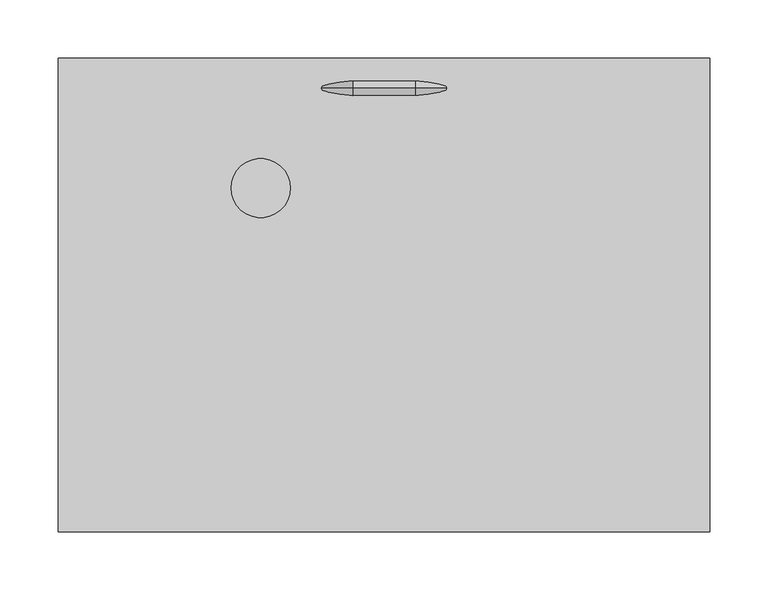
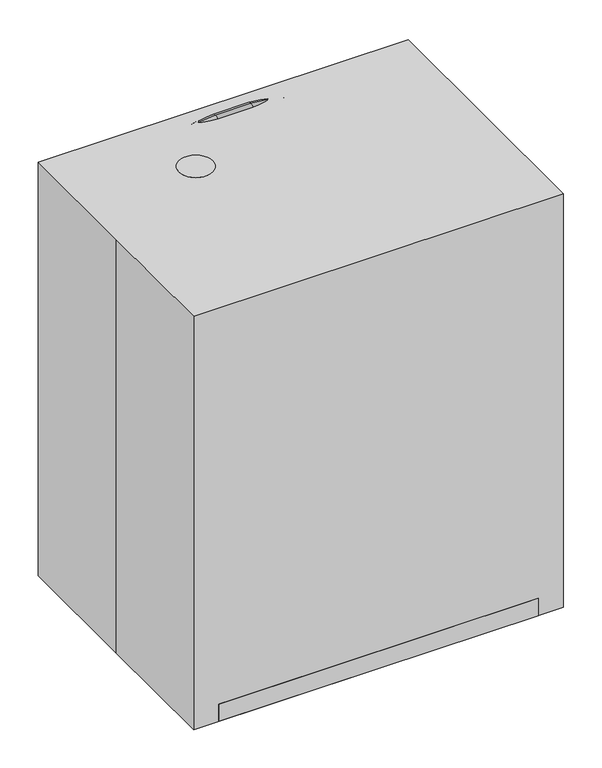
"""IFC4 building model written with IfcOpenShell, lengths in millimetres: proxy geometry."""

from ifc_helpers import new_model, si_unit, point, frame, frame_2d, origin, origin_with_axes, place, context, project, spatial, polyline, circle_curve, ellipse_curve, trimmed, segment, composite_curve, outline, extrude, source, transform, mapped, element, save
from ifc_brep_helpers import plane_surface, cylinder_surface, revolved_surface, advanced_brep


def specialty_equipment_b3b583d2(model_context):
    return source(origin(), model_context, "Body", "SolidModel", [
        advanced_brep(
        [(-145.0328479, 177.5141785, 20.8475767), (-162.7213181, 177.5141785, 20.8475767), (-145.0328479, 177.5141785, 526.8062528), (-162.7213181, 177.5141785, 526.8062528), (-26.877083, 177.5141785, 662.6504879), (-26.877083, 177.5141785, 644.9620177), (26.877083, 177.5141785, 644.9620177), (26.877083, 177.5141785, 662.6504879), (162.7213181, 177.5141785, 526.8062528), (145.0328479, 177.5141785, 526.8062528), (145.0328479, 177.5141785, 20.8475767), (162.7213181, 177.5141785, 20.8475767)],
        [
            (0, 1, circle_curve(frame((-153.877083, 177.5141785, 20.8475767), z_axis=(0.0, 0.0, -1.0), x_axis=(-1.0, 0.0, 0.0)), 8.8442351)),
            (1, 0, circle_curve(frame((-153.877083, 177.5141785, 20.8475767), z_axis=(0.0, 0.0, -1.0), x_axis=(-1.0, 0.0, 0.0)), 8.8442351)),
            (0, 2),
            (2, 3, circle_curve(frame((-153.877083, 177.5141785, 526.8062528), z_axis=(0.0, 0.0, -1.0), x_axis=(-1.0, 0.0, 0.0)), 8.8442351)),
            (3, 1),
            (3, 2, circle_curve(frame((-153.877083, 177.5141785, 526.8062528), z_axis=(0.0, 0.0, -1.0), x_axis=(-1.0, 0.0, 0.0)), 8.8442351)),
            (4, 3, circle_curve(frame((-26.877083, 177.5141785, 526.8062528), z_axis=(0.0, -1.0, 0.0), x_axis=(-1.0, 0.0, 0.0)), 135.8442351)),
            (2, 5, circle_curve(frame((-26.877083, 177.5141785, 526.8062528), z_axis=(0.0, 1.0, 0.0), x_axis=(-1.0, 0.0, 0.0)), 118.1557649)),
            (5, 4, circle_curve(frame((-26.877083, 177.5141785, 653.8062528), z_axis=(-1.0, 0.0, 0.0), x_axis=(0.0, 0.0, 1.0)), 8.8442351)),
            (4, 5, circle_curve(frame((-26.877083, 177.5141785, 653.8062528), z_axis=(-1.0, 0.0, 0.0), x_axis=(0.0, 0.0, 1.0)), 8.8442351)),
            (5, 6),
            (6, 7, circle_curve(frame((26.877083, 177.5141785, 653.8062528), z_axis=(-1.0, 0.0, 0.0), x_axis=(0.0, 0.0, 1.0)), 8.8442351)),
            (7, 4),
            (7, 6, circle_curve(frame((26.877083, 177.5141785, 653.8062528), z_axis=(-1.0, 0.0, 0.0), x_axis=(0.0, 0.0, 1.0)), 8.8442351)),
            (8, 7, circle_curve(frame((26.877083, 177.5141785, 526.8062528), z_axis=(0.0, -1.0, 0.0), x_axis=(0.0, 0.0, 1.0)), 135.8442351)),
            (6, 9, circle_curve(frame((26.877083, 177.5141785, 526.8062528), z_axis=(0.0, 1.0, 0.0), x_axis=(0.0, 0.0, 1.0)), 118.1557649)),
            (9, 8, circle_curve(frame((153.877083, 177.5141785, 526.8062528), z_axis=(0.0, 0.0, 1.0), x_axis=(1.0, 0.0, 0.0)), 8.8442351)),
            (8, 9, circle_curve(frame((153.877083, 177.5141785, 526.8062528), z_axis=(0.0, 0.0, 1.0), x_axis=(1.0, 0.0, 0.0)), 8.8442351)),
            (10, 11, circle_curve(frame((153.877083, 177.5141785, 20.8475767), z_axis=(0.0, 0.0, -1.0), x_axis=(1.0, 0.0, 0.0)), 8.8442351)),
            (11, 10, circle_curve(frame((153.877083, 177.5141785, 20.8475767), z_axis=(0.0, 0.0, -1.0), x_axis=(1.0, 0.0, 0.0)), 8.8442351)),
            (9, 10),
            (11, 8),
        ],
        [
            plane_surface(frame((-153.877083, 177.5141785, 20.8475767), z_axis=(0.0, 0.0, -1.0), x_axis=(0.0, -1.0, 0.0))),
            cylinder_surface(frame((-153.877083, 177.5141785, 20.8475767), z_axis=(0.0, 0.0, -1.0), x_axis=(-1.0, 0.0, 0.0)), 8.8442351),
            revolved_surface(trimmed(ellipse_curve(frame((-153.877083, 177.5141785, 526.8062528), z_axis=(0.0, 0.0, -1.0), x_axis=(-1.0, 0.0, 0.0)), 8.8442351, 8.8442351), [point((-145.0328479, 177.5141785, 526.8062528))], [point((-162.7213181, 177.5141785, 526.8062528))], True, "CARTESIAN"), (-26.877083, 177.5141785, 526.8062528), (0.0, 1.0, 0.0)),
            revolved_surface(trimmed(ellipse_curve(frame((-153.877083, 177.5141785, 526.8062528), z_axis=(0.0, 0.0, -1.0), x_axis=(-1.0, 0.0, 0.0)), 8.8442351, 8.8442351), [point((-162.7213181, 177.5141785, 526.8062528))], [point((-145.0328479, 177.5141785, 526.8062528))], True, "CARTESIAN"), (-26.877083, 177.5141785, 526.8062528), (0.0, 1.0, 0.0)),
            cylinder_surface(frame((-26.877083, 177.5141785, 653.8062528), z_axis=(-1.0, 0.0, 0.0), x_axis=(0.0, 0.0, 1.0)), 8.8442351),
            revolved_surface(trimmed(ellipse_curve(frame((26.877083, 177.5141785, 653.8062528), z_axis=(-1.0, 0.0, 0.0), x_axis=(0.0, 0.0, 1.0)), 8.8442351, 8.8442351), [point((26.877083, 177.5141785, 644.9620177))], [point((26.877083, 177.5141785, 662.6504879))], True, "CARTESIAN"), (26.877083, 177.5141785, 526.8062528), (0.0, 1.0, 0.0)),
            revolved_surface(trimmed(ellipse_curve(frame((26.877083, 177.5141785, 653.8062528), z_axis=(-1.0, 0.0, 0.0), x_axis=(0.0, 0.0, 1.0)), 8.8442351, 8.8442351), [point((26.877083, 177.5141785, 662.6504879))], [point((26.877083, 177.5141785, 644.9620177))], True, "CARTESIAN"), (26.877083, 177.5141785, 526.8062528), (0.0, 1.0, 0.0)),
            plane_surface(frame((153.877083, 177.5141785, 20.8475767), z_axis=(0.0, 0.0, -1.0), x_axis=(0.0, -1.0, 0.0))),
            cylinder_surface(frame((153.877083, 177.5141785, 526.8062528), z_axis=(0.0, 0.0, 1.0), x_axis=(1.0, 0.0, 0.0)), 8.8442351),
        ],
        [
            (0, [[1, 2]]),
            (1, [[-1, 3, 4, 5]]),
            (1, [[-2, -5, 6, -3]]),
            (2, [[7, -4, 8, 9]]),
            (3, [[-8, -6, -7, 10]]),
            (4, [[-9, 11, 12, 13]]),
            (4, [[-10, -13, 14, -11]]),
            (5, [[15, -12, 16, 17]]),
            (6, [[-16, -14, -15, 18]]),
            (7, [[19, 20]]),
            (8, [[-17, 21, -20, 22]]),
            (8, [[-18, -22, -19, -21]]),
        ],
    ),
        extrude(outline(composite_curve([segment(trimmed(circle_curve(frame_2d((-105.7960316, 91.6698015)), 25.4), [point((-131.1960316, 91.6698015))], [point((-80.3960316, 91.6698015))], False, "CARTESIAN"), True, "CONTINUOUS"), segment(trimmed(circle_curve(frame_2d((-105.7960316, 91.6698015)), 25.4), [point((-80.3960316, 91.6698015))], [point((-131.1960316, 91.6698015))], False, "CARTESIAN"), True, "CONTINUOUS")], self_intersect=False)), frame((0.0, 0.0, 577.047116), z_axis=(0.0, 0.0, 1.0), x_axis=(1.0, 0.0, 0.0)), (0.0, 0.0, 1.0), 83.352884),
        extrude(outline(composite_curve([segment(trimmed(circle_curve(frame_2d((-105.7960316, 91.6698015)), 9.5827417), [point((-115.3787733, 91.6698015))], [point((-96.2132898, 91.6698015))], False, "CARTESIAN"), True, "CONTINUOUS"), segment(trimmed(circle_curve(frame_2d((-105.7960316, 91.6698015)), 9.5827417), [point((-96.2132898, 91.6698015))], [point((-115.3787733, 91.6698015))], False, "CARTESIAN"), True, "CONTINUOUS")], self_intersect=False)), frame((0.0, 0.0, 385.654463), z_axis=(0.0, 0.0, 1.0), x_axis=(1.0, 0.0, 0.0)), (0.0, 0.0, 1.0), 191.392653),
        extrude(outline(composite_curve([segment(trimmed(circle_curve(frame_2d((-105.7960316, 91.6698015)), 19.05), [point((-124.8460316, 91.6698015))], [point((-86.7460316, 91.6698015))], False, "CARTESIAN"), True, "CONTINUOUS"), segment(trimmed(circle_curve(frame_2d((-105.7960316, 91.6698015)), 19.05), [point((-86.7460316, 91.6698015))], [point((-124.8460316, 91.6698015))], False, "CARTESIAN"), True, "CONTINUOUS")], self_intersect=False)), frame((0.0, 0.0, 278.2079824), z_axis=(0.0, 0.0, 1.0), x_axis=(1.0, 0.0, 0.0)), (0.0, 0.0, 1.0), 107.4464806),
        extrude(outline(composite_curve([segment(trimmed(circle_curve(frame_2d((0.4645822, 134.5548664)), 25.4), [point((-9.0604178, 158.1012966))], [point((25.8645822, 134.5548664))], False, "CARTESIAN"), True, "CONTINUOUS"), segment(trimmed(circle_curve(frame_2d((0.4645822, 134.5548664)), 25.4), [point((25.8645822, 134.5548664))], [point((9.9895822, 111.0084362))], False, "CARTESIAN"), True, "CONTINUOUS"), segment(polyline([(9.9895822, 111.0084362), (-96.0903986, 68.0969711)]), True, "CONTINUOUS"), segment(trimmed(circle_curve(frame_2d((-105.6153986, 91.6434013)), 25.4), [point((-96.0903986, 68.0969711))], [point((-123.8716486, 73.9835786))], False, "CARTESIAN"), True, "CONTINUOUS"), segment(trimmed(circle_curve(frame_2d((-105.6153986, 91.6434013)), 25.4), [point((-123.8716486, 73.9835786))], [point((-115.1403986, 115.1898315))], False, "CARTESIAN"), True, "CONTINUOUS"), segment(polyline([(-115.1403986, 115.1898315), (-9.0604178, 158.1012966)]), True, "CONTINUOUS")], self_intersect=False)), frame((0.0, 0.0, 263.1373764), z_axis=(0.0, 0.0, 1.0), x_axis=(1.0, 0.0, 0.0)), (0.0, 0.0, 1.0), 15.070606),
        extrude(outline(composite_curve([segment(trimmed(circle_curve(frame_2d((463.1623764, -38.1)), 31.75), [point((463.1623764, -69.85))], [point((463.1623764, -6.35))], False, "CARTESIAN"), True, "CONTINUOUS"), segment(trimmed(circle_curve(frame_2d((463.1623764, -38.1)), 31.75), [point((463.1623764, -6.35))], [point((463.1623764, -69.85))], False, "CARTESIAN"), True, "CONTINUOUS")], self_intersect=False)), frame((0.0, -70.0470126, 0.0), z_axis=(0.0, 1.0, 0.0), x_axis=(0.0, 0.0, 1.0)), (0.0, 0.0, 1.0), 85.3212077),
        extrude(outline(composite_curve([segment(trimmed(circle_curve(frame_2d((463.1623764, 38.1)), 31.75), [point((463.1623764, 6.35))], [point((463.1623764, 69.85))], False, "CARTESIAN"), True, "CONTINUOUS"), segment(trimmed(circle_curve(frame_2d((463.1623764, 38.1)), 31.75), [point((463.1623764, 69.85))], [point((463.1623764, 6.35))], False, "CARTESIAN"), True, "CONTINUOUS")], self_intersect=False)), frame((0.0, -70.0470126, 0.0), z_axis=(0.0, 1.0, 0.0), x_axis=(0.0, 0.0, 1.0)), (0.0, 0.0, 1.0), 85.3212077),
        extrude(outline(polyline([(38.1, -58.2576724), (-38.1, -58.2576724), (-38.1, 31.9128659), (38.1, 31.9128659), (38.1, -58.2576724)])), frame((0.0, 0.0, 440.9373764), z_axis=(0.0, 0.0, 1.0), x_axis=(1.0, 0.0, 0.0)), (0.0, 0.0, 1.0), 44.45),
        extrude(outline(composite_curve([segment(polyline([(139.7, 186.9373764), (27.7533444, 186.9373764)]), True, "CONTINUOUS"), segment(trimmed(circle_curve(frame_2d((27.7533444, 237.7373764)), 50.8), [point((27.7533444, 186.9373764))], [point((-23.0466556, 237.7373764))], False, "CARTESIAN"), True, "CONTINUOUS"), segment(polyline([(-23.0466556, 237.7373764), (-23.0466556, 440.9373764), (-3.9966556, 440.9373764), (-3.9966556, 237.7373764)]), True, "CONTINUOUS"), segment(trimmed(circle_curve(frame_2d((27.7533444, 237.7373764)), 31.75), [point((-3.9966556, 237.7373764))], [point((27.7533444, 205.9873764))], True, "CARTESIAN"), True, "CONTINUOUS"), segment(polyline([(27.7533444, 205.9873764), (139.7, 205.9873764), (139.7, 186.9373764)]), True, "CONTINUOUS")], self_intersect=False)), frame((-9.525, 0.0, 0.0), z_axis=(1.0, 0.0, 0.0), x_axis=(0.0, 1.0, 0.0)), (0.0, 0.0, 1.0), 19.05),
        extrude(outline(composite_curve([segment(trimmed(circle_curve(frame_2d((0.0, 135.7033444)), 25.4), [point((-25.4, 135.7033444))], [point((25.4, 135.7033444))], False, "CARTESIAN"), True, "CONTINUOUS"), segment(trimmed(circle_curve(frame_2d((0.0, 135.7033444)), 25.4), [point((25.4, 135.7033444))], [point((-25.4, 135.7033444))], False, "CARTESIAN"), True, "CONTINUOUS")], self_intersect=False)), frame((0.0, 0.0, 162.8544217), z_axis=(0.0, 0.0, 1.0), x_axis=(1.0, 0.0, 0.0)), (0.0, 0.0, 1.0), 100.2829548),
        extrude(outline(composite_curve([segment(polyline([(-31.75, 63.5), (-31.75, 133.35)]), True, "CONTINUOUS"), segment(trimmed(circle_curve(frame_2d((0.0, 133.35)), 31.75), [point((-31.75, 133.35))], [point((31.75, 133.35))], False, "CARTESIAN"), True, "CONTINUOUS"), segment(polyline([(31.75, 133.35), (31.75, 63.5), (-31.75, 63.5)]), True, "CONTINUOUS")], self_intersect=False)), frame((0.0, 0.0, 98.7002049), z_axis=(0.0, 0.0, 1.0), x_axis=(1.0, 0.0, 0.0)), (0.0, 0.0, 1.0), 64.1542168),
        advanced_brep(
        [(-6.35, -107.95, 124.1002049), (6.35, -107.95, 124.1002049), (6.35, -107.95, 98.7002049), (-6.35, -107.95, 98.7002049), (-15.7616412, -107.95, 144.2835345), (15.7616412, -107.95, 144.2835345), (-15.7616412, -107.95, 176.0335345), (15.7616412, -107.95, 176.0335345), (0.0, -107.95, 176.0335345), (0.0, -107.95, 98.7002049)],
        [
            (0, 1, circle_curve(frame((0.0, -107.95, 124.1002049), z_axis=(0.0, 0.0, -1.0), x_axis=(1.0, 0.0, 0.0)), 6.35)),
            (1, 2),
            (2, 3, circle_curve(frame((0.0, -107.95, 98.7002049), z_axis=(0.0, 0.0, 1.0), x_axis=(1.0, 0.0, 0.0)), 6.35)),
            (3, 0),
            (1, 0, circle_curve(frame((0.0, -107.95, 124.1002049), z_axis=(0.0, 0.0, -1.0), x_axis=(1.0, 0.0, 0.0)), 6.35)),
            (3, 2, circle_curve(frame((0.0, -107.95, 98.7002049), z_axis=(0.0, 0.0, 1.0), x_axis=(1.0, 0.0, 0.0)), 6.35)),
            (4, 5, circle_curve(frame((0.0, -107.95, 144.2835345), z_axis=(0.0, 0.0, -1.0), x_axis=(1.0, 0.0, 0.0)), 15.7616412)),
            (5, 1),
            (0, 4),
            (5, 4, circle_curve(frame((0.0, -107.95, 144.2835345), z_axis=(0.0, 0.0, -1.0), x_axis=(1.0, 0.0, 0.0)), 15.7616412)),
            (6, 7, circle_curve(frame((0.0, -107.95, 176.0335345), z_axis=(0.0, 0.0, -1.0), x_axis=(1.0, 0.0, 0.0)), 15.7616412)),
            (7, 5),
            (4, 6),
            (7, 6, circle_curve(frame((0.0, -107.95, 176.0335345), z_axis=(0.0, 0.0, -1.0), x_axis=(1.0, 0.0, 0.0)), 15.7616412)),
            (8, 7),
            (6, 8),
            (2, 9),
            (9, 3),
        ],
        [
            cylinder_surface(frame((0.0, -107.95, 117.7502049), z_axis=(0.0, 0.0, 1.0), x_axis=(1.0, 0.0, 0.0)), 6.35),
            revolved_surface(polyline([(6.35, -107.95, 124.1002049), (15.7616412, -107.95, 144.2835345)]), (0.0, -107.95, 117.7502049), (0.0, 0.0, 1.0)),
            cylinder_surface(frame((0.0, -107.95, 117.7502049), z_axis=(0.0, 0.0, 1.0), x_axis=(1.0, 0.0, 0.0)), 15.7616412),
            plane_surface(frame((0.0, -107.95, 176.0335345), z_axis=(0.0, 0.0, 1.0), x_axis=(1.0, 0.0, 0.0))),
            plane_surface(frame((0.0, -107.95, 98.7002049), z_axis=(0.0, 0.0, -1.0), x_axis=(1.0, 0.0, 0.0))),
        ],
        [
            (0, [[1, 2, 3, 4]]),
            (0, [[5, -4, 6, -2]]),
            (1, [[7, 8, -1, 9]]),
            (1, [[10, -9, -5, -8]]),
            (2, [[11, 12, -7, 13]]),
            (2, [[14, -13, -10, -12]]),
            (3, [[15, -11, 16]]),
            (3, [[-16, -14, -15]]),
            (4, [[-3, 17, 18]]),
            (4, [[-6, -18, -17]]),
        ],
    ),
        extrude(outline(composite_curve([segment(trimmed(circle_curve(frame_2d((136.8715616, 63.9058293)), 19.05), [point((155.9215616, 63.9058293))], [point((117.8215616, 63.9058293))], False, "CARTESIAN"), True, "CONTINUOUS"), segment(trimmed(circle_curve(frame_2d((136.8715616, 63.9058293)), 19.05), [point((117.8215616, 63.9058293))], [point((155.9215616, 63.9058293))], False, "CARTESIAN"), True, "CONTINUOUS")], self_intersect=False)), frame((-166.577083, 0.0, 0.0), z_axis=(1.0, 0.0, 0.0), x_axis=(0.0, 1.0, 0.0)), (0.0, 0.0, 1.0), 333.154166),
        extrude(outline(composite_curve([segment(polyline([(76.2, 171.45), (76.2, -88.9)]), True, "CONTINUOUS"), segment(trimmed(circle_curve(frame_2d((0.0, -88.9)), 76.2), [point((76.2, -88.9))], [point((-76.2, -88.9))], False, "CARTESIAN"), True, "CONTINUOUS"), segment(polyline([(-76.2, -88.9), (-76.2, 171.45), (76.2, 171.45)]), True, "CONTINUOUS")], self_intersect=False)), frame((0.0, 0.0, 27.4413239), z_axis=(0.0, 0.0, 1.0), x_axis=(1.0, 0.0, 0.0)), (0.0, 0.0, 1.0), 71.258881),
        extrude(outline(polyline([(-166.577083, 171.45), (-166.577083, 44.45), (-204.677083, 44.45), (-204.677083, 171.45), (-166.577083, 171.45)])), frame((0.0, 0.0, 27.4413239), z_axis=(0.0, 0.0, 1.0), x_axis=(1.0, 0.0, 0.0)), (0.0, 0.0, 1.0), 71.258881),
        extrude(outline(polyline([(166.577083, 171.45), (204.677083, 171.45), (204.677083, 44.45), (166.577083, 44.45), (166.577083, 171.45)])), frame((0.0, 0.0, 27.4413239), z_axis=(0.0, 0.0, 1.0), x_axis=(1.0, 0.0, 0.0)), (0.0, 0.0, 1.0), 71.258881),
        extrude(outline(polyline([(241.3, 203.2), (241.3, -203.2), (-241.3, -203.2), (-241.3, 203.2), (241.3, 203.2)])), origin_with_axes(), (0.0, 0.0, 1.0), 27.4413239),
        extrude(outline(polyline([(-279.4, 203.2), (279.4, 203.2), (279.4, -203.2), (-279.4, -203.2), (-279.4, 0.0), (-279.4, 203.2)])), origin_with_axes(), (0.0, 0.0, 1.0), 660.4),
    ])


if __name__ == "__main__":
    model = new_model("IFC4")
    model_context = context("Model", 3, world=origin())
    ifc_project = project(units=[si_unit("LENGTHUNIT", "METRE", prefix="MILLI")], contexts=[model_context])
    site = spatial("IfcSite", under=ifc_project)
    building = spatial("IfcBuilding", under=site)
    placement = place(None, origin())
    specialty_equipment_shape = specialty_equipment_b3b583d2(model_context)
    element("IfcBuildingElementProxy", 1, Name="Specialty Equipment", at=placement, inside=building, context=model_context, shape_type="MappedRepresentation", body=[
        mapped(specialty_equipment_shape, transform((0.0, 0.0, 0.0), x_axis=(1.0, 0.0, 0.0), y_axis=(0.0, 1.0, 0.0), z_axis=(0.0, 0.0, 1.0))),
    ])
    save(model, "model.ifc")
